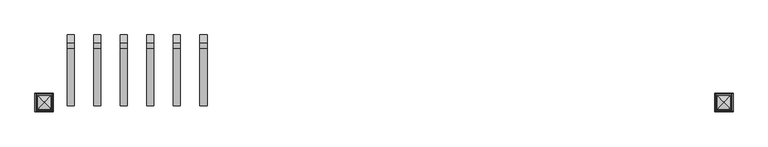
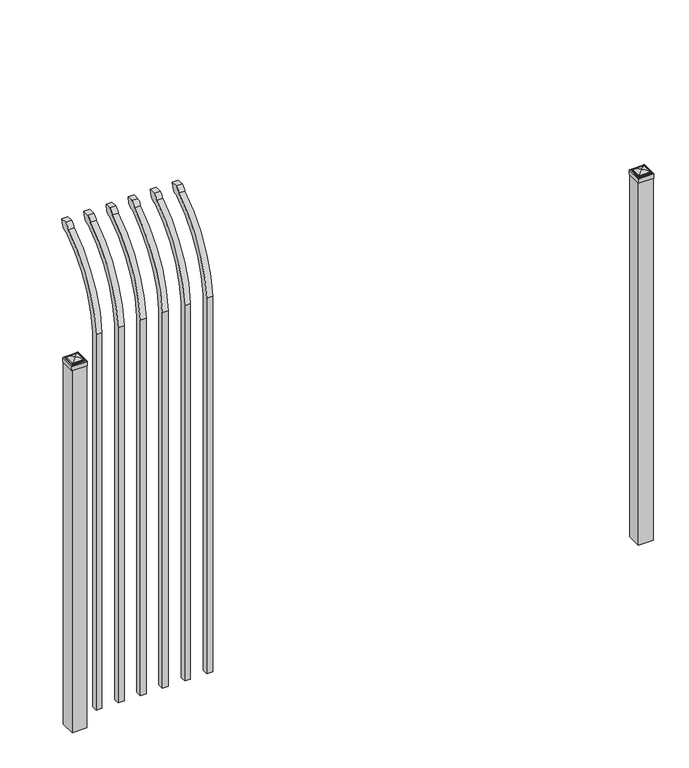
"""IFC4 building model written with IfcOpenShell, lengths in millimetres: railing geometry."""

from ifc_helpers import new_model, si_unit, point, frame, origin, origin_with_axes, place, context, project, spatial, polyline, circle_curve, ellipse_curve, trimmed, outline, extrude, source, transform, mapped, element, save
from ifc_brep_helpers import plane_surface, cylinder_surface, revolved_surface, extruded_surface, advanced_brep


def railing_ab76a290(model_context):
    return source(origin(), model_context, "Body", "SolidModel", [
        advanced_brep(
        [(25175.9350064, 13429.619541, 50.8), (25175.9350064, 13429.619541, 1759.1226889), (25175.9350064, 13626.7326851, 2091.3022378), (25175.9350064, 13653.2407099, 2105.9867549), (25175.9350064, 13659.1100864, 2133.6), (25175.9350064, 13630.8799449, 2133.6), (25175.9350064, 13611.4931591, 2112.6682561), (25175.9350064, 13404.219541, 1759.1226889), (25175.9350064, 13404.219541, 50.8), (25150.5350064, 13429.619541, 50.8), (25150.5350064, 13429.619541, 1759.1226889), (25150.5350064, 13404.219541, 1759.1226889), (25150.5350064, 13404.219541, 50.8), (25150.5350064, 13611.4931591, 2112.6682561), (25150.5350064, 13630.8799449, 2133.6), (25150.5350064, 13659.1100864, 2133.6), (25150.5350064, 13653.2407099, 2105.9867549), (25150.5350064, 13626.7326851, 2091.3022378)],
        [
            (0, 1),
            (1, 2, circle_curve(frame((25175.9350064, 13866.9874207, 1724.1640776), z_axis=(-1.0, 0.0, 0.0), x_axis=(0.0, 1.0, 0.0)), 438.7627681)),
            (2, 3, ellipse_curve(frame((25175.9350064, 13634.5579376, 2113.7180619), z_axis=(1.0, 0.0, 0.0), x_axis=(0.0, -0.7771459614569761, -0.6293203910498311)), 26.7460194, 19.05)),
            (3, 4),
            (4, 5),
            (5, 6, ellipse_curve(frame((25175.9350064, 13634.5579376, 2113.7180619), z_axis=(0.9999999999999999, 0.0, 0.0), x_axis=(0.0, -0.7771459614569769, -0.62932039104983)), 26.7460194, 19.05)),
            (6, 7, circle_curve(frame((25175.9350064, 13866.0333244, 1725.9065933), z_axis=(1.0, 0.0, 0.0), x_axis=(0.0, 1.0, 0.0)), 463.0067812)),
            (7, 8),
            (8, 0),
            (0, 9),
            (9, 10),
            (10, 1),
            (7, 11),
            (11, 12),
            (12, 8),
            (12, 9),
            (11, 13, circle_curve(frame((25150.5350064, 13866.0333244, 1725.9065933), z_axis=(-1.0, 0.0, 0.0), x_axis=(0.0, 1.0, 0.0)), 463.0067812)),
            (13, 14, ellipse_curve(frame((25150.5350064, 13634.5579376, 2113.7180619), z_axis=(-0.9999999999999999, 0.0, 0.0), x_axis=(0.0, -0.7771459614569769, -0.62932039104983)), 26.7460194, 19.05)),
            (14, 15),
            (15, 16),
            (16, 17, ellipse_curve(frame((25150.5350064, 13634.5579376, 2113.7180619), z_axis=(-1.0, 0.0, 0.0), x_axis=(0.0, -0.7771459614569761, -0.6293203910498311)), 26.7460194, 19.05)),
            (17, 10, circle_curve(frame((25150.5350064, 13866.9874207, 1724.1640776), z_axis=(1.0, 0.0, 0.0), x_axis=(0.0, 1.0, 0.0)), 438.7627681)),
            (17, 2),
            (16, 3),
            (15, 4),
            (14, 5),
            (13, 6),
        ],
        [
            plane_surface(frame((25175.9350064, 13429.619541, 50.8), z_axis=(1.0, 0.0, 0.0), x_axis=(0.0, 0.0, 1.0))),
            plane_surface(frame((25175.9350064, 13429.619541, 50.8), z_axis=(0.0, 1.0, 0.0), x_axis=(-1.0, 0.0, 0.0))),
            plane_surface(frame((25175.9350064, 13404.219541, 1759.1226889), z_axis=(0.0, -1.0, 0.0), x_axis=(-1.0, 0.0, 0.0))),
            plane_surface(frame((25175.9350064, 13404.219541, 50.8), z_axis=(0.0, 0.0, -1.0), x_axis=(-1.0, 0.0, 0.0))),
            plane_surface(frame((25150.5350064, 13429.619541, 50.8), z_axis=(-1.0, 0.0, 0.0), x_axis=(0.0, 0.0, -1.0))),
            revolved_surface(polyline([(25150.5350064, 14305.750188799999, 1724.1640776), (25175.9350064, 14305.750188799999, 1724.1640776)]), (25150.5350064, 13866.9874207, 1724.1640776), (-1.0, 0.0, 0.0)),
            extruded_surface(trimmed(ellipse_curve(frame((25125.1350064, 13634.5579376, 2113.7180619), z_axis=(1.0, 0.0, 0.0), x_axis=(0.0, -0.7771459614569761, -0.6293203910498311)), 26.7460194, 19.05), [point((25125.1350064, 13626.7326851, 2091.3022378))], [point((25125.1350064, 13653.2407099, 2105.9867549))], True, "CARTESIAN"), (25.400000000001455, 0.0, 0.0), 25.400000000001455),
            plane_surface(frame((25175.9350064, 13653.2407099, 2105.9867549), z_axis=(0.0, 0.9781476007338014, -0.20791169081777983), x_axis=(-1.0, 0.0, 0.0))),
            plane_surface(frame((25175.9350064, 13659.1100864, 2133.6), z_axis=(0.0, 0.0, 1.0), x_axis=(-1.0, 0.0, 0.0))),
            extruded_surface(trimmed(ellipse_curve(frame((25125.1350064, 13634.5579376, 2113.7180619), z_axis=(0.9999999999999999, 0.0, 0.0), x_axis=(0.0, -0.7771459614569769, -0.62932039104983)), 26.7460194, 19.05), [point((25125.1350064, 13630.8799449, 2133.6))], [point((25125.1350064, 13611.4931591, 2112.6682561))], True, "CARTESIAN"), (25.400000000001455, 0.0, 0.0), 25.400000000001455),
            cylinder_surface(frame((25150.5350064, 13866.0333244, 1725.9065933), z_axis=(1.0, 0.0, 0.0), x_axis=(0.0, 1.0, 0.0)), 463.0067812),
        ],
        [
            (0, [[1, 2, 3, 4, 5, 6, 7, 8, 9]]),
            (1, [[-1, 10, 11, 12]]),
            (2, [[-8, 13, 14, 15]]),
            (3, [[-9, -15, 16, -10]]),
            (4, [[-16, -14, 17, 18, 19, 20, 21, 22, -11]]),
            (5, [[-2, -12, -22, 23]]),
            (6, [[-3, -23, -21, 24]]),
            (7, [[-4, -24, -20, 25]]),
            (8, [[-5, -25, -19, 26]]),
            (9, [[-6, -26, -18, 27]]),
            (10, [[-7, -27, -17, -13]]),
        ],
    ),
        advanced_brep(
        [(25080.6850064, 13429.619541, 50.8), (25080.6850064, 13429.619541, 1759.1226889), (25080.6850064, 13626.7326851, 2091.3022378), (25080.6850064, 13653.2407099, 2105.9867549), (25080.6850064, 13659.1100864, 2133.6), (25080.6850064, 13630.8799449, 2133.6), (25080.6850064, 13611.4931591, 2112.6682561), (25080.6850064, 13404.219541, 1759.1226889), (25080.6850064, 13404.219541, 50.8), (25055.2850064, 13429.619541, 50.8), (25055.2850064, 13429.619541, 1759.1226889), (25055.2850064, 13404.219541, 1759.1226889), (25055.2850064, 13404.219541, 50.8), (25055.2850064, 13611.4931591, 2112.6682561), (25055.2850064, 13630.8799449, 2133.6), (25055.2850064, 13659.1100864, 2133.6), (25055.2850064, 13653.2407099, 2105.9867549), (25055.2850064, 13626.7326851, 2091.3022378)],
        [
            (0, 1),
            (1, 2, circle_curve(frame((25080.6850064, 13866.9874207, 1724.1640776), z_axis=(-1.0, 0.0, 0.0), x_axis=(0.0, 1.0, 0.0)), 438.7627681)),
            (2, 3, ellipse_curve(frame((25080.6850064, 13634.5579376, 2113.7180619), z_axis=(1.0, 0.0, 0.0), x_axis=(0.0, -0.7771459614569761, -0.6293203910498311)), 26.7460194, 19.05)),
            (3, 4),
            (4, 5),
            (5, 6, ellipse_curve(frame((25080.6850064, 13634.5579376, 2113.7180619), z_axis=(0.9999999999999999, 0.0, 0.0), x_axis=(0.0, -0.7771459614569769, -0.62932039104983)), 26.7460194, 19.05)),
            (6, 7, circle_curve(frame((25080.6850064, 13866.0333244, 1725.9065933), z_axis=(1.0, 0.0, 0.0), x_axis=(0.0, 1.0, 0.0)), 463.0067812)),
            (7, 8),
            (8, 0),
            (0, 9),
            (9, 10),
            (10, 1),
            (7, 11),
            (11, 12),
            (12, 8),
            (12, 9),
            (11, 13, circle_curve(frame((25055.2850064, 13866.0333244, 1725.9065933), z_axis=(-1.0, 0.0, 0.0), x_axis=(0.0, 1.0, 0.0)), 463.0067812)),
            (13, 14, ellipse_curve(frame((25055.2850064, 13634.5579376, 2113.7180619), z_axis=(-0.9999999999999999, 0.0, 0.0), x_axis=(0.0, -0.7771459614569769, -0.62932039104983)), 26.7460194, 19.05)),
            (14, 15),
            (15, 16),
            (16, 17, ellipse_curve(frame((25055.2850064, 13634.5579376, 2113.7180619), z_axis=(-1.0, 0.0, 0.0), x_axis=(0.0, -0.7771459614569761, -0.6293203910498311)), 26.7460194, 19.05)),
            (17, 10, circle_curve(frame((25055.2850064, 13866.9874207, 1724.1640776), z_axis=(1.0, 0.0, 0.0), x_axis=(0.0, 1.0, 0.0)), 438.7627681)),
            (17, 2),
            (16, 3),
            (15, 4),
            (14, 5),
            (13, 6),
        ],
        [
            plane_surface(frame((25080.6850064, 13429.619541, 50.8), z_axis=(1.0, 0.0, 0.0), x_axis=(0.0, 0.0, 1.0))),
            plane_surface(frame((25080.6850064, 13429.619541, 50.8), z_axis=(0.0, 1.0, 0.0), x_axis=(-1.0, 0.0, 0.0))),
            plane_surface(frame((25080.6850064, 13404.219541, 1759.1226889), z_axis=(0.0, -1.0, 0.0), x_axis=(-1.0, 0.0, 0.0))),
            plane_surface(frame((25080.6850064, 13404.219541, 50.8), z_axis=(0.0, 0.0, -1.0), x_axis=(-1.0, 0.0, 0.0))),
            plane_surface(frame((25055.2850064, 13429.619541, 50.8), z_axis=(-1.0, 0.0, 0.0), x_axis=(0.0, 0.0, -1.0))),
            revolved_surface(polyline([(25055.2850064, 14305.750188799999, 1724.1640776), (25080.6850064, 14305.750188799999, 1724.1640776)]), (25055.2850064, 13866.9874207, 1724.1640776), (-1.0, 0.0, 0.0)),
            extruded_surface(trimmed(ellipse_curve(frame((25029.8850064, 13634.5579376, 2113.7180619), z_axis=(1.0, 0.0, 0.0), x_axis=(0.0, -0.7771459614569761, -0.6293203910498311)), 26.7460194, 19.05), [point((25029.8850064, 13626.7326851, 2091.3022378))], [point((25029.8850064, 13653.2407099, 2105.9867549))], True, "CARTESIAN"), (25.400000000001455, 0.0, 0.0), 25.400000000001455),
            plane_surface(frame((25080.6850064, 13653.2407099, 2105.9867549), z_axis=(0.0, 0.9781476007338014, -0.20791169081777983), x_axis=(-1.0, 0.0, 0.0))),
            plane_surface(frame((25080.6850064, 13659.1100864, 2133.6), z_axis=(0.0, 0.0, 1.0), x_axis=(-1.0, 0.0, 0.0))),
            extruded_surface(trimmed(ellipse_curve(frame((25029.8850064, 13634.5579376, 2113.7180619), z_axis=(0.9999999999999999, 0.0, 0.0), x_axis=(0.0, -0.7771459614569769, -0.62932039104983)), 26.7460194, 19.05), [point((25029.8850064, 13630.8799449, 2133.6))], [point((25029.8850064, 13611.4931591, 2112.6682561))], True, "CARTESIAN"), (25.400000000001455, 0.0, 0.0), 25.400000000001455),
            cylinder_surface(frame((25055.2850064, 13866.0333244, 1725.9065933), z_axis=(1.0, 0.0, 0.0), x_axis=(0.0, 1.0, 0.0)), 463.0067812),
        ],
        [
            (0, [[1, 2, 3, 4, 5, 6, 7, 8, 9]]),
            (1, [[-1, 10, 11, 12]]),
            (2, [[-8, 13, 14, 15]]),
            (3, [[-9, -15, 16, -10]]),
            (4, [[-16, -14, 17, 18, 19, 20, 21, 22, -11]]),
            (5, [[-2, -12, -22, 23]]),
            (6, [[-3, -23, -21, 24]]),
            (7, [[-4, -24, -20, 25]]),
            (8, [[-5, -25, -19, 26]]),
            (9, [[-6, -26, -18, 27]]),
            (10, [[-7, -27, -17, -13]]),
        ],
    ),
        advanced_brep(
        [(24985.4350064, 13429.619541, 50.8), (24985.4350064, 13429.619541, 1759.1226889), (24985.4350064, 13626.7326851, 2091.3022378), (24985.4350064, 13653.2407099, 2105.9867549), (24985.4350064, 13659.1100864, 2133.6), (24985.4350064, 13630.8799449, 2133.6), (24985.4350064, 13611.4931591, 2112.6682561), (24985.4350064, 13404.219541, 1759.1226889), (24985.4350064, 13404.219541, 50.8), (24960.0350064, 13429.619541, 50.8), (24960.0350064, 13429.619541, 1759.1226889), (24960.0350064, 13404.219541, 1759.1226889), (24960.0350064, 13404.219541, 50.8), (24960.0350064, 13611.4931591, 2112.6682561), (24960.0350064, 13630.8799449, 2133.6), (24960.0350064, 13659.1100864, 2133.6), (24960.0350064, 13653.2407099, 2105.9867549), (24960.0350064, 13626.7326851, 2091.3022378)],
        [
            (0, 1),
            (1, 2, circle_curve(frame((24985.4350064, 13866.9874207, 1724.1640776), z_axis=(-1.0, 0.0, 0.0), x_axis=(0.0, 1.0, 0.0)), 438.7627681)),
            (2, 3, ellipse_curve(frame((24985.4350064, 13634.5579376, 2113.7180619), z_axis=(1.0, 0.0, 0.0), x_axis=(0.0, -0.7771459614569761, -0.6293203910498311)), 26.7460194, 19.05)),
            (3, 4),
            (4, 5),
            (5, 6, ellipse_curve(frame((24985.4350064, 13634.5579376, 2113.7180619), z_axis=(0.9999999999999999, 0.0, 0.0), x_axis=(0.0, -0.7771459614569769, -0.62932039104983)), 26.7460194, 19.05)),
            (6, 7, circle_curve(frame((24985.4350064, 13866.0333244, 1725.9065933), z_axis=(1.0, 0.0, 0.0), x_axis=(0.0, 1.0, 0.0)), 463.0067812)),
            (7, 8),
            (8, 0),
            (0, 9),
            (9, 10),
            (10, 1),
            (7, 11),
            (11, 12),
            (12, 8),
            (12, 9),
            (11, 13, circle_curve(frame((24960.0350064, 13866.0333244, 1725.9065933), z_axis=(-1.0, 0.0, 0.0), x_axis=(0.0, 1.0, 0.0)), 463.0067812)),
            (13, 14, ellipse_curve(frame((24960.0350064, 13634.5579376, 2113.7180619), z_axis=(-0.9999999999999999, 0.0, 0.0), x_axis=(0.0, -0.7771459614569769, -0.62932039104983)), 26.7460194, 19.05)),
            (14, 15),
            (15, 16),
            (16, 17, ellipse_curve(frame((24960.0350064, 13634.5579376, 2113.7180619), z_axis=(-1.0, 0.0, 0.0), x_axis=(0.0, -0.7771459614569761, -0.6293203910498311)), 26.7460194, 19.05)),
            (17, 10, circle_curve(frame((24960.0350064, 13866.9874207, 1724.1640776), z_axis=(1.0, 0.0, 0.0), x_axis=(0.0, 1.0, 0.0)), 438.7627681)),
            (17, 2),
            (16, 3),
            (15, 4),
            (14, 5),
            (13, 6),
        ],
        [
            plane_surface(frame((24985.4350064, 13429.619541, 50.8), z_axis=(1.0, 0.0, 0.0), x_axis=(0.0, 0.0, 1.0))),
            plane_surface(frame((24985.4350064, 13429.619541, 50.8), z_axis=(0.0, 1.0, 0.0), x_axis=(-1.0, 0.0, 0.0))),
            plane_surface(frame((24985.4350064, 13404.219541, 1759.1226889), z_axis=(0.0, -1.0, 0.0), x_axis=(-1.0, 0.0, 0.0))),
            plane_surface(frame((24985.4350064, 13404.219541, 50.8), z_axis=(0.0, 0.0, -1.0), x_axis=(-1.0, 0.0, 0.0))),
            plane_surface(frame((24960.0350064, 13429.619541, 50.8), z_axis=(-1.0, 0.0, 0.0), x_axis=(0.0, 0.0, -1.0))),
            revolved_surface(polyline([(24960.0350064, 14305.750188799999, 1724.1640776), (24985.4350064, 14305.750188799999, 1724.1640776)]), (24960.0350064, 13866.9874207, 1724.1640776), (-1.0, 0.0, 0.0)),
            extruded_surface(trimmed(ellipse_curve(frame((24934.6350064, 13634.5579376, 2113.7180619), z_axis=(1.0, 0.0, 0.0), x_axis=(0.0, -0.7771459614569761, -0.6293203910498311)), 26.7460194, 19.05), [point((24934.6350064, 13626.7326851, 2091.3022378))], [point((24934.6350064, 13653.2407099, 2105.9867549))], True, "CARTESIAN"), (25.400000000001455, 0.0, 0.0), 25.400000000001455),
            plane_surface(frame((24985.4350064, 13653.2407099, 2105.9867549), z_axis=(0.0, 0.9781476007338014, -0.20791169081777983), x_axis=(-1.0, 0.0, 0.0))),
            plane_surface(frame((24985.4350064, 13659.1100864, 2133.6), z_axis=(0.0, 0.0, 1.0), x_axis=(-1.0, 0.0, 0.0))),
            extruded_surface(trimmed(ellipse_curve(frame((24934.6350064, 13634.5579376, 2113.7180619), z_axis=(0.9999999999999999, 0.0, 0.0), x_axis=(0.0, -0.7771459614569769, -0.62932039104983)), 26.7460194, 19.05), [point((24934.6350064, 13630.8799449, 2133.6))], [point((24934.6350064, 13611.4931591, 2112.6682561))], True, "CARTESIAN"), (25.400000000001455, 0.0, 0.0), 25.400000000001455),
            cylinder_surface(frame((24960.0350064, 13866.0333244, 1725.9065933), z_axis=(1.0, 0.0, 0.0), x_axis=(0.0, 1.0, 0.0)), 463.0067812),
        ],
        [
            (0, [[1, 2, 3, 4, 5, 6, 7, 8, 9]]),
            (1, [[-1, 10, 11, 12]]),
            (2, [[-8, 13, 14, 15]]),
            (3, [[-9, -15, 16, -10]]),
            (4, [[-16, -14, 17, 18, 19, 20, 21, 22, -11]]),
            (5, [[-2, -12, -22, 23]]),
            (6, [[-3, -23, -21, 24]]),
            (7, [[-4, -24, -20, 25]]),
            (8, [[-5, -25, -19, 26]]),
            (9, [[-6, -26, -18, 27]]),
            (10, [[-7, -27, -17, -13]]),
        ],
    ),
        advanced_brep(
        [(24890.1850064, 13429.619541, 50.8), (24890.1850064, 13429.619541, 1759.1226889), (24890.1850064, 13626.7326851, 2091.3022378), (24890.1850064, 13653.2407099, 2105.9867549), (24890.1850064, 13659.1100864, 2133.6), (24890.1850064, 13630.8799449, 2133.6), (24890.1850064, 13611.4931591, 2112.6682561), (24890.1850064, 13404.219541, 1759.1226889), (24890.1850064, 13404.219541, 50.8), (24864.7850064, 13429.619541, 50.8), (24864.7850064, 13429.619541, 1759.1226889), (24864.7850064, 13404.219541, 1759.1226889), (24864.7850064, 13404.219541, 50.8), (24864.7850064, 13611.4931591, 2112.6682561), (24864.7850064, 13630.8799449, 2133.6), (24864.7850064, 13659.1100864, 2133.6), (24864.7850064, 13653.2407099, 2105.9867549), (24864.7850064, 13626.7326851, 2091.3022378)],
        [
            (0, 1),
            (1, 2, circle_curve(frame((24890.1850064, 13866.9874207, 1724.1640776), z_axis=(-1.0, 0.0, 0.0), x_axis=(0.0, 1.0, 0.0)), 438.7627681)),
            (2, 3, ellipse_curve(frame((24890.1850064, 13634.5579376, 2113.7180619), z_axis=(1.0, 0.0, 0.0), x_axis=(0.0, -0.7771459614569761, -0.6293203910498311)), 26.7460194, 19.05)),
            (3, 4),
            (4, 5),
            (5, 6, ellipse_curve(frame((24890.1850064, 13634.5579376, 2113.7180619), z_axis=(0.9999999999999999, 0.0, 0.0), x_axis=(0.0, -0.7771459614569769, -0.62932039104983)), 26.7460194, 19.05)),
            (6, 7, circle_curve(frame((24890.1850064, 13866.0333244, 1725.9065933), z_axis=(1.0, 0.0, 0.0), x_axis=(0.0, 1.0, 0.0)), 463.0067812)),
            (7, 8),
            (8, 0),
            (0, 9),
            (9, 10),
            (10, 1),
            (7, 11),
            (11, 12),
            (12, 8),
            (12, 9),
            (11, 13, circle_curve(frame((24864.7850064, 13866.0333244, 1725.9065933), z_axis=(-1.0, 0.0, 0.0), x_axis=(0.0, 1.0, 0.0)), 463.0067812)),
            (13, 14, ellipse_curve(frame((24864.7850064, 13634.5579376, 2113.7180619), z_axis=(-0.9999999999999999, 0.0, 0.0), x_axis=(0.0, -0.7771459614569769, -0.62932039104983)), 26.7460194, 19.05)),
            (14, 15),
            (15, 16),
            (16, 17, ellipse_curve(frame((24864.7850064, 13634.5579376, 2113.7180619), z_axis=(-1.0, 0.0, 0.0), x_axis=(0.0, -0.7771459614569761, -0.6293203910498311)), 26.7460194, 19.05)),
            (17, 10, circle_curve(frame((24864.7850064, 13866.9874207, 1724.1640776), z_axis=(1.0, 0.0, 0.0), x_axis=(0.0, 1.0, 0.0)), 438.7627681)),
            (17, 2),
            (16, 3),
            (15, 4),
            (14, 5),
            (13, 6),
        ],
        [
            plane_surface(frame((24890.1850064, 13429.619541, 50.8), z_axis=(1.0, 0.0, 0.0), x_axis=(0.0, 0.0, 1.0))),
            plane_surface(frame((24890.1850064, 13429.619541, 50.8), z_axis=(0.0, 1.0, 0.0), x_axis=(-1.0, 0.0, 0.0))),
            plane_surface(frame((24890.1850064, 13404.219541, 1759.1226889), z_axis=(0.0, -1.0, 0.0), x_axis=(-1.0, 0.0, 0.0))),
            plane_surface(frame((24890.1850064, 13404.219541, 50.8), z_axis=(0.0, 0.0, -1.0), x_axis=(-1.0, 0.0, 0.0))),
            plane_surface(frame((24864.7850064, 13429.619541, 50.8), z_axis=(-1.0, 0.0, 0.0), x_axis=(0.0, 0.0, -1.0))),
            revolved_surface(polyline([(24864.7850064, 14305.750188799999, 1724.1640776), (24890.1850064, 14305.750188799999, 1724.1640776)]), (24864.7850064, 13866.9874207, 1724.1640776), (-1.0, 0.0, 0.0)),
            extruded_surface(trimmed(ellipse_curve(frame((24839.3850064, 13634.5579376, 2113.7180619), z_axis=(1.0, 0.0, 0.0), x_axis=(0.0, -0.7771459614569761, -0.6293203910498311)), 26.7460194, 19.05), [point((24839.3850064, 13626.7326851, 2091.3022378))], [point((24839.3850064, 13653.2407099, 2105.9867549))], True, "CARTESIAN"), (25.400000000001455, 0.0, 0.0), 25.400000000001455),
            plane_surface(frame((24890.1850064, 13653.2407099, 2105.9867549), z_axis=(0.0, 0.9781476007338014, -0.20791169081777983), x_axis=(-1.0, 0.0, 0.0))),
            plane_surface(frame((24890.1850064, 13659.1100864, 2133.6), z_axis=(0.0, 0.0, 1.0), x_axis=(-1.0, 0.0, 0.0))),
            extruded_surface(trimmed(ellipse_curve(frame((24839.3850064, 13634.5579376, 2113.7180619), z_axis=(0.9999999999999999, 0.0, 0.0), x_axis=(0.0, -0.7771459614569769, -0.62932039104983)), 26.7460194, 19.05), [point((24839.3850064, 13630.8799449, 2133.6))], [point((24839.3850064, 13611.4931591, 2112.6682561))], True, "CARTESIAN"), (25.400000000001455, 0.0, 0.0), 25.400000000001455),
            cylinder_surface(frame((24864.7850064, 13866.0333244, 1725.9065933), z_axis=(1.0, 0.0, 0.0), x_axis=(0.0, 1.0, 0.0)), 463.0067812),
        ],
        [
            (0, [[1, 2, 3, 4, 5, 6, 7, 8, 9]]),
            (1, [[-1, 10, 11, 12]]),
            (2, [[-8, 13, 14, 15]]),
            (3, [[-9, -15, 16, -10]]),
            (4, [[-16, -14, 17, 18, 19, 20, 21, 22, -11]]),
            (5, [[-2, -12, -22, 23]]),
            (6, [[-3, -23, -21, 24]]),
            (7, [[-4, -24, -20, 25]]),
            (8, [[-5, -25, -19, 26]]),
            (9, [[-6, -26, -18, 27]]),
            (10, [[-7, -27, -17, -13]]),
        ],
    ),
        advanced_brep(
        [(24794.9350064, 13429.619541, 50.8), (24794.9350064, 13429.619541, 1759.1226889), (24794.9350064, 13626.7326851, 2091.3022378), (24794.9350064, 13653.2407099, 2105.9867549), (24794.9350064, 13659.1100864, 2133.6), (24794.9350064, 13630.8799449, 2133.6), (24794.9350064, 13611.4931591, 2112.6682561), (24794.9350064, 13404.219541, 1759.1226889), (24794.9350064, 13404.219541, 50.8), (24769.5350064, 13429.619541, 50.8), (24769.5350064, 13429.619541, 1759.1226889), (24769.5350064, 13404.219541, 1759.1226889), (24769.5350064, 13404.219541, 50.8), (24769.5350064, 13611.4931591, 2112.6682561), (24769.5350064, 13630.8799449, 2133.6), (24769.5350064, 13659.1100864, 2133.6), (24769.5350064, 13653.2407099, 2105.9867549), (24769.5350064, 13626.7326851, 2091.3022378)],
        [
            (0, 1),
            (1, 2, circle_curve(frame((24794.9350064, 13866.9874207, 1724.1640776), z_axis=(-1.0, 0.0, 0.0), x_axis=(0.0, 1.0, 0.0)), 438.7627681)),
            (2, 3, ellipse_curve(frame((24794.9350064, 13634.5579376, 2113.7180619), z_axis=(1.0, 0.0, 0.0), x_axis=(0.0, -0.7771459614569761, -0.6293203910498311)), 26.7460194, 19.05)),
            (3, 4),
            (4, 5),
            (5, 6, ellipse_curve(frame((24794.9350064, 13634.5579376, 2113.7180619), z_axis=(0.9999999999999999, 0.0, 0.0), x_axis=(0.0, -0.7771459614569769, -0.62932039104983)), 26.7460194, 19.05)),
            (6, 7, circle_curve(frame((24794.9350064, 13866.0333244, 1725.9065933), z_axis=(1.0, 0.0, 0.0), x_axis=(0.0, 1.0, 0.0)), 463.0067812)),
            (7, 8),
            (8, 0),
            (0, 9),
            (9, 10),
            (10, 1),
            (7, 11),
            (11, 12),
            (12, 8),
            (12, 9),
            (11, 13, circle_curve(frame((24769.5350064, 13866.0333244, 1725.9065933), z_axis=(-1.0, 0.0, 0.0), x_axis=(0.0, 1.0, 0.0)), 463.0067812)),
            (13, 14, ellipse_curve(frame((24769.5350064, 13634.5579376, 2113.7180619), z_axis=(-0.9999999999999999, 0.0, 0.0), x_axis=(0.0, -0.7771459614569769, -0.62932039104983)), 26.7460194, 19.05)),
            (14, 15),
            (15, 16),
            (16, 17, ellipse_curve(frame((24769.5350064, 13634.5579376, 2113.7180619), z_axis=(-1.0, 0.0, 0.0), x_axis=(0.0, -0.7771459614569761, -0.6293203910498311)), 26.7460194, 19.05)),
            (17, 10, circle_curve(frame((24769.5350064, 13866.9874207, 1724.1640776), z_axis=(1.0, 0.0, 0.0), x_axis=(0.0, 1.0, 0.0)), 438.7627681)),
            (17, 2),
            (16, 3),
            (15, 4),
            (14, 5),
            (13, 6),
        ],
        [
            plane_surface(frame((24794.9350064, 13429.619541, 50.8), z_axis=(1.0, 0.0, 0.0), x_axis=(0.0, 0.0, 1.0))),
            plane_surface(frame((24794.9350064, 13429.619541, 50.8), z_axis=(0.0, 1.0, 0.0), x_axis=(-1.0, 0.0, 0.0))),
            plane_surface(frame((24794.9350064, 13404.219541, 1759.1226889), z_axis=(0.0, -1.0, 0.0), x_axis=(-1.0, 0.0, 0.0))),
            plane_surface(frame((24794.9350064, 13404.219541, 50.8), z_axis=(0.0, 0.0, -1.0), x_axis=(-1.0, 0.0, 0.0))),
            plane_surface(frame((24769.5350064, 13429.619541, 50.8), z_axis=(-1.0, 0.0, 0.0), x_axis=(0.0, 0.0, -1.0))),
            revolved_surface(polyline([(24769.5350064, 14305.750188799999, 1724.1640776), (24794.9350064, 14305.750188799999, 1724.1640776)]), (24769.5350064, 13866.9874207, 1724.1640776), (-1.0, 0.0, 0.0)),
            extruded_surface(trimmed(ellipse_curve(frame((24744.1350064, 13634.5579376, 2113.7180619), z_axis=(1.0, 0.0, 0.0), x_axis=(0.0, -0.7771459614569761, -0.6293203910498311)), 26.7460194, 19.05), [point((24744.1350064, 13626.7326851, 2091.3022378))], [point((24744.1350064, 13653.2407099, 2105.9867549))], True, "CARTESIAN"), (25.400000000001455, 0.0, 0.0), 25.400000000001455),
            plane_surface(frame((24794.9350064, 13653.2407099, 2105.9867549), z_axis=(0.0, 0.9781476007338014, -0.20791169081777983), x_axis=(-1.0, 0.0, 0.0))),
            plane_surface(frame((24794.9350064, 13659.1100864, 2133.6), z_axis=(0.0, 0.0, 1.0), x_axis=(-1.0, 0.0, 0.0))),
            extruded_surface(trimmed(ellipse_curve(frame((24744.1350064, 13634.5579376, 2113.7180619), z_axis=(0.9999999999999999, 0.0, 0.0), x_axis=(0.0, -0.7771459614569769, -0.62932039104983)), 26.7460194, 19.05), [point((24744.1350064, 13630.8799449, 2133.6))], [point((24744.1350064, 13611.4931591, 2112.6682561))], True, "CARTESIAN"), (25.400000000001455, 0.0, 0.0), 25.400000000001455),
            cylinder_surface(frame((24769.5350064, 13866.0333244, 1725.9065933), z_axis=(1.0, 0.0, 0.0), x_axis=(0.0, 1.0, 0.0)), 463.0067812),
        ],
        [
            (0, [[1, 2, 3, 4, 5, 6, 7, 8, 9]]),
            (1, [[-1, 10, 11, 12]]),
            (2, [[-8, 13, 14, 15]]),
            (3, [[-9, -15, 16, -10]]),
            (4, [[-16, -14, 17, 18, 19, 20, 21, 22, -11]]),
            (5, [[-2, -12, -22, 23]]),
            (6, [[-3, -23, -21, 24]]),
            (7, [[-4, -24, -20, 25]]),
            (8, [[-5, -25, -19, 26]]),
            (9, [[-6, -26, -18, 27]]),
            (10, [[-7, -27, -17, -13]]),
        ],
    ),
        advanced_brep(
        [(24699.6850064, 13429.619541, 50.8), (24699.6850064, 13429.619541, 1759.1226889), (24699.6850064, 13626.7326851, 2091.3022378), (24699.6850064, 13653.2407099, 2105.9867549), (24699.6850064, 13659.1100864, 2133.6), (24699.6850064, 13630.8799449, 2133.6), (24699.6850064, 13611.4931591, 2112.6682561), (24699.6850064, 13404.219541, 1759.1226889), (24699.6850064, 13404.219541, 50.8), (24674.2850064, 13429.619541, 50.8), (24674.2850064, 13429.619541, 1759.1226889), (24674.2850064, 13404.219541, 1759.1226889), (24674.2850064, 13404.219541, 50.8), (24674.2850064, 13611.4931591, 2112.6682561), (24674.2850064, 13630.8799449, 2133.6), (24674.2850064, 13659.1100864, 2133.6), (24674.2850064, 13653.2407099, 2105.9867549), (24674.2850064, 13626.7326851, 2091.3022378)],
        [
            (0, 1),
            (1, 2, circle_curve(frame((24699.6850064, 13866.9874207, 1724.1640776), z_axis=(-1.0, 0.0, 0.0), x_axis=(0.0, 1.0, 0.0)), 438.7627681)),
            (2, 3, ellipse_curve(frame((24699.6850064, 13634.5579376, 2113.7180619), z_axis=(1.0, 0.0, 0.0), x_axis=(0.0, -0.7771459614569761, -0.6293203910498311)), 26.7460194, 19.05)),
            (3, 4),
            (4, 5),
            (5, 6, ellipse_curve(frame((24699.6850064, 13634.5579376, 2113.7180619), z_axis=(0.9999999999999999, 0.0, 0.0), x_axis=(0.0, -0.7771459614569769, -0.62932039104983)), 26.7460194, 19.05)),
            (6, 7, circle_curve(frame((24699.6850064, 13866.0333244, 1725.9065933), z_axis=(1.0, 0.0, 0.0), x_axis=(0.0, 1.0, 0.0)), 463.0067812)),
            (7, 8),
            (8, 0),
            (0, 9),
            (9, 10),
            (10, 1),
            (7, 11),
            (11, 12),
            (12, 8),
            (12, 9),
            (11, 13, circle_curve(frame((24674.2850064, 13866.0333244, 1725.9065933), z_axis=(-1.0, 0.0, 0.0), x_axis=(0.0, 1.0, 0.0)), 463.0067812)),
            (13, 14, ellipse_curve(frame((24674.2850064, 13634.5579376, 2113.7180619), z_axis=(-0.9999999999999999, 0.0, 0.0), x_axis=(0.0, -0.7771459614569769, -0.62932039104983)), 26.7460194, 19.05)),
            (14, 15),
            (15, 16),
            (16, 17, ellipse_curve(frame((24674.2850064, 13634.5579376, 2113.7180619), z_axis=(-1.0, 0.0, 0.0), x_axis=(0.0, -0.7771459614569761, -0.6293203910498311)), 26.7460194, 19.05)),
            (17, 10, circle_curve(frame((24674.2850064, 13866.9874207, 1724.1640776), z_axis=(1.0, 0.0, 0.0), x_axis=(0.0, 1.0, 0.0)), 438.7627681)),
            (17, 2),
            (16, 3),
            (15, 4),
            (14, 5),
            (13, 6),
        ],
        [
            plane_surface(frame((24699.6850064, 13429.619541, 50.8), z_axis=(1.0, 0.0, 0.0), x_axis=(0.0, 0.0, 1.0))),
            plane_surface(frame((24699.6850064, 13429.619541, 50.8), z_axis=(0.0, 1.0, 0.0), x_axis=(-1.0, 0.0, 0.0))),
            plane_surface(frame((24699.6850064, 13404.219541, 1759.1226889), z_axis=(0.0, -1.0, 0.0), x_axis=(-1.0, 0.0, 0.0))),
            plane_surface(frame((24699.6850064, 13404.219541, 50.8), z_axis=(0.0, 0.0, -1.0), x_axis=(-1.0, 0.0, 0.0))),
            plane_surface(frame((24674.2850064, 13429.619541, 50.8), z_axis=(-1.0, 0.0, 0.0), x_axis=(0.0, 0.0, -1.0))),
            revolved_surface(polyline([(24674.2850064, 14305.750188799999, 1724.1640776), (24699.6850064, 14305.750188799999, 1724.1640776)]), (24674.2850064, 13866.9874207, 1724.1640776), (-1.0, 0.0, 0.0)),
            extruded_surface(trimmed(ellipse_curve(frame((24648.8850064, 13634.5579376, 2113.7180619), z_axis=(1.0, 0.0, 0.0), x_axis=(0.0, -0.7771459614569761, -0.6293203910498311)), 26.7460194, 19.05), [point((24648.8850064, 13626.7326851, 2091.3022378))], [point((24648.8850064, 13653.2407099, 2105.9867549))], True, "CARTESIAN"), (25.400000000001455, 0.0, 0.0), 25.400000000001455),
            plane_surface(frame((24699.6850064, 13653.2407099, 2105.9867549), z_axis=(0.0, 0.9781476007338014, -0.20791169081777983), x_axis=(-1.0, 0.0, 0.0))),
            plane_surface(frame((24699.6850064, 13659.1100864, 2133.6), z_axis=(0.0, 0.0, 1.0), x_axis=(-1.0, 0.0, 0.0))),
            extruded_surface(trimmed(ellipse_curve(frame((24648.8850064, 13634.5579376, 2113.7180619), z_axis=(0.9999999999999999, 0.0, 0.0), x_axis=(0.0, -0.7771459614569769, -0.62932039104983)), 26.7460194, 19.05), [point((24648.8850064, 13630.8799449, 2133.6))], [point((24648.8850064, 13611.4931591, 2112.6682561))], True, "CARTESIAN"), (25.400000000001455, 0.0, 0.0), 25.400000000001455),
            cylinder_surface(frame((24674.2850064, 13866.0333244, 1725.9065933), z_axis=(1.0, 0.0, 0.0), x_axis=(0.0, 1.0, 0.0)), 463.0067812),
        ],
        [
            (0, [[1, 2, 3, 4, 5, 6, 7, 8, 9]]),
            (1, [[-1, 10, 11, 12]]),
            (2, [[-8, 13, 14, 15]]),
            (3, [[-9, -15, 16, -10]]),
            (4, [[-16, -14, 17, 18, 19, 20, 21, 22, -11]]),
            (5, [[-2, -12, -22, 23]]),
            (6, [[-3, -23, -21, 24]]),
            (7, [[-4, -24, -20, 25]]),
            (8, [[-5, -25, -19, 26]]),
            (9, [[-6, -26, -18, 27]]),
            (10, [[-7, -27, -17, -13]]),
        ],
    ),
        extrude(outline(polyline([(27061.8850064, 13448.669541), (27061.8850064, 13385.169541), (26998.3850064, 13385.169541), (26998.3850064, 13448.669541), (27061.8850064, 13448.669541)])), origin_with_axes(), (0.0, 0.0, 1.0), 1649.4125),
        advanced_brep(
        [(26996.7975064, 13450.257041, 1667.66875), (26996.7975064, 13450.257041, 1649.4125), (26996.7975064, 13383.582041, 1649.4125), (26996.7975064, 13383.582041, 1667.66875), (26999.1787564, 13447.875791, 1670.05), (26999.1787564, 13385.963291, 1670.05), (27001.5600064, 13445.494541, 1672.43125), (27001.5600064, 13445.494541, 1670.05), (27001.5600064, 13388.344541, 1670.05), (27001.5600064, 13388.344541, 1672.43125), (27003.9412564, 13443.113291, 1674.8125), (27003.9412564, 13390.725791, 1674.8125), (27030.1350064, 13416.919541, 1681.1625), (27006.3225064, 13440.732041, 1674.8125), (27006.3225064, 13393.107041, 1674.8125), (27063.4725064, 13383.582041, 1649.4125), (27063.4725064, 13383.582041, 1667.66875), (27061.0912564, 13385.963291, 1670.05), (27058.7100064, 13388.344541, 1670.05), (27058.7100064, 13388.344541, 1672.43125), (27056.3287564, 13390.725791, 1674.8125), (27053.9475064, 13393.107041, 1674.8125), (27063.4725064, 13450.257041, 1649.4125), (27063.4725064, 13450.257041, 1667.66875), (27061.0912564, 13447.875791, 1670.05), (27058.7100064, 13445.494541, 1670.05), (27058.7100064, 13445.494541, 1672.43125), (27056.3287564, 13443.113291, 1674.8125), (27053.9475064, 13440.732041, 1674.8125)],
        [
            (0, 1),
            (1, 2),
            (2, 3),
            (3, 0),
            (4, 0, ellipse_curve(frame((26999.1787564, 13447.875791, 1667.66875), z_axis=(-0.70710678118655, -0.7071067811865449, 0.0), x_axis=(-0.7071067811865448, 0.7071067811865501, 0.0)), 3.367596, 2.38125)),
            (3, 5, ellipse_curve(frame((26999.1787564, 13385.963291, 1667.66875), z_axis=(-0.7071067811865449, 0.70710678118655, 0.0), x_axis=(0.7071067811865499, 0.707106781186545, 0.0)), 3.367596, 2.38125)),
            (5, 4),
            (6, 7),
            (7, 8),
            (8, 9),
            (9, 6),
            (10, 6, ellipse_curve(frame((27003.9412564, 13443.113291, 1672.43125), z_axis=(-0.70710678118655, -0.7071067811865449, 0.0), x_axis=(-0.7071067811865448, 0.7071067811865501, 0.0)), 3.367596, 2.38125)),
            (9, 11, ellipse_curve(frame((27003.9412564, 13390.725791, 1672.43125), z_axis=(-0.7071067811865449, 0.70710678118655, 0.0), x_axis=(0.7071067811865499, 0.707106781186545, 0.0)), 3.367596, 2.38125)),
            (11, 10),
            (12, 13, ellipse_curve(frame((27030.1350064, 13416.919541, 1633.3390625), z_axis=(-0.70710678118655, -0.7071067811865449, 0.0), x_axis=(-0.7071067811865448, 0.7071067811865501, 0.0)), 67.6325539, 47.8234375)),
            (13, 14),
            (14, 12, ellipse_curve(frame((27030.1350064, 13416.919541, 1633.3390625), z_axis=(-0.7071067811865449, 0.70710678118655, 0.0), x_axis=(0.7071067811865499, 0.707106781186545, 0.0)), 67.6325539, 47.8234375)),
            (2, 15),
            (15, 16),
            (16, 3),
            (16, 17, ellipse_curve(frame((27061.0912564, 13385.963291, 1667.66875), z_axis=(-0.70710678118655, -0.707106781186545, 0.0), x_axis=(-0.707106781186545, 0.70710678118655, 0.0)), 3.367596, 2.38125)),
            (17, 5),
            (8, 18),
            (18, 19),
            (19, 9),
            (19, 20, ellipse_curve(frame((27056.3287564, 13390.725791, 1672.43125), z_axis=(-0.70710678118655, -0.707106781186545, 0.0), x_axis=(-0.707106781186545, 0.70710678118655, 0.0)), 3.367596, 2.38125)),
            (20, 11),
            (14, 21),
            (21, 12, ellipse_curve(frame((27030.1350064, 13416.919541, 1633.3390625), z_axis=(-0.70710678118655, -0.707106781186545, 0.0), x_axis=(-0.707106781186545, 0.70710678118655, 0.0)), 67.6325539, 47.8234375)),
            (15, 22),
            (22, 23),
            (23, 16),
            (23, 24, ellipse_curve(frame((27061.0912564, 13447.875791, 1667.66875), z_axis=(0.707106781186545, -0.7071067811865499, 0.0), x_axis=(-0.7071067811865497, -0.7071067811865452, 0.0)), 3.367596, 2.38125)),
            (24, 17),
            (18, 25),
            (25, 26),
            (26, 19),
            (26, 27, ellipse_curve(frame((27056.3287564, 13443.113291, 1672.43125), z_axis=(0.707106781186545, -0.7071067811865499, 0.0), x_axis=(-0.7071067811865497, -0.7071067811865452, 0.0)), 3.367596, 2.38125)),
            (27, 20),
            (21, 28),
            (28, 12, ellipse_curve(frame((27030.1350064, 13416.919541, 1633.3390625), z_axis=(0.707106781186545, -0.7071067811865499, 0.0), x_axis=(-0.7071067811865497, -0.7071067811865452, 0.0)), 67.6325539, 47.8234375)),
            (22, 1),
            (0, 23),
            (4, 24),
            (7, 25),
            (6, 26),
            (10, 27),
            (13, 28),
        ],
        [
            plane_surface(frame((26996.7975064, 13450.257041, 1649.4125), z_axis=(-1.0, 0.0, 0.0), x_axis=(0.0, -1.0, 0.0))),
            cylinder_surface(frame((26999.1787564, 13448.669541, 1667.66875), z_axis=(0.0, 1.0, 0.0), x_axis=(1.0, 0.0, 0.0)), 2.38125),
            plane_surface(frame((27001.5600064, 13445.494541, 1670.05), z_axis=(-1.0, 0.0, 0.0), x_axis=(0.0, -1.0, 0.0))),
            cylinder_surface(frame((27003.9412564, 13448.669541, 1672.43125), z_axis=(0.0, 1.0, 0.0), x_axis=(1.0, 0.0, 0.0)), 2.38125),
            cylinder_surface(frame((27030.1350064, 13448.669541, 1633.3390625), z_axis=(0.0, 1.0, 0.0), x_axis=(1.0, 0.0, 0.0)), 47.8234375),
            plane_surface(frame((26996.7975064, 13383.582041, 1649.4125), z_axis=(0.0, -1.0, 0.0), x_axis=(1.0, 0.0, 0.0))),
            cylinder_surface(frame((26998.3850064, 13385.963291, 1667.66875), z_axis=(-1.0, 0.0, 0.0), x_axis=(0.0, 1.0, 0.0)), 2.38125),
            plane_surface(frame((27001.5600064, 13388.344541, 1670.05), z_axis=(0.0, -1.0, 0.0), x_axis=(1.0, 0.0, 0.0))),
            cylinder_surface(frame((26998.3850064, 13390.725791, 1672.43125), z_axis=(-1.0, 0.0, 0.0), x_axis=(0.0, 1.0, 0.0)), 2.38125),
            cylinder_surface(frame((26998.3850064, 13416.919541, 1633.3390625), z_axis=(-1.0, 0.0, 0.0), x_axis=(0.0, 1.0, 0.0)), 47.8234375),
            plane_surface(frame((27063.4725064, 13383.582041, 1649.4125), z_axis=(1.0, 0.0, 0.0), x_axis=(0.0, 1.0, 0.0))),
            cylinder_surface(frame((27061.0912564, 13385.169541, 1667.66875), z_axis=(0.0, -1.0, 0.0), x_axis=(-1.0, 0.0, 0.0)), 2.38125),
            plane_surface(frame((27058.7100064, 13388.344541, 1670.05), z_axis=(1.0, 0.0, 0.0), x_axis=(0.0, 1.0, 0.0))),
            cylinder_surface(frame((27056.3287564, 13385.169541, 1672.43125), z_axis=(0.0, -1.0, 0.0), x_axis=(-1.0, 0.0, 0.0)), 2.38125),
            cylinder_surface(frame((27030.1350064, 13385.169541, 1633.3390625), z_axis=(0.0, -1.0, 0.0), x_axis=(-1.0, 0.0, 0.0)), 47.8234375),
            plane_surface(frame((27063.4725064, 13450.257041, 1649.4125), z_axis=(0.0, 1.0, 0.0), x_axis=(-1.0, 0.0, 0.0))),
            cylinder_surface(frame((27061.8850064, 13447.875791, 1667.66875), z_axis=(1.0, 0.0, 0.0), x_axis=(0.0, -1.0, 0.0)), 2.38125),
            plane_surface(frame((27061.0912564, 13447.875791, 1670.05), z_axis=(0.0, 0.0, 1.0), x_axis=(-1.0, 0.0, 0.0))),
            plane_surface(frame((27058.7100064, 13445.494541, 1670.05), z_axis=(0.0, 1.0, 0.0), x_axis=(-1.0, 0.0, 0.0))),
            cylinder_surface(frame((27061.8850064, 13443.113291, 1672.43125), z_axis=(1.0, 0.0, 0.0), x_axis=(0.0, -1.0, 0.0)), 2.38125),
            plane_surface(frame((27056.3287564, 13443.113291, 1674.8125), z_axis=(0.0, 0.0, 1.0), x_axis=(-1.0, 0.0, 0.0))),
            cylinder_surface(frame((27061.8850064, 13416.919541, 1633.3390625), z_axis=(1.0, 0.0, 0.0), x_axis=(0.0, -1.0, 0.0)), 47.8234375),
            plane_surface(frame((27030.1350064, 13416.919541, 1649.4125), z_axis=(0.0, 0.0, -1.0), x_axis=(-1.0, 0.0, 0.0))),
        ],
        [
            (0, [[1, 2, 3, 4]]),
            (1, [[5, -4, 6, 7]]),
            (2, [[8, 9, 10, 11]]),
            (3, [[12, -11, 13, 14]]),
            (4, [[15, 16, 17]]),
            (5, [[-3, 18, 19, 20]]),
            (6, [[-6, -20, 21, 22]]),
            (7, [[-10, 23, 24, 25]]),
            (8, [[-13, -25, 26, 27]]),
            (9, [[-17, 28, 29]]),
            (10, [[-19, 30, 31, 32]]),
            (11, [[-21, -32, 33, 34]]),
            (12, [[-24, 35, 36, 37]]),
            (13, [[-26, -37, 38, 39]]),
            (14, [[-29, 40, 41]]),
            (15, [[-31, 42, -1, 43]]),
            (16, [[-33, -43, -5, 44]]),
            (17, [[-22, -34, -44, -7], [45, -35, -23, -9]]),
            (18, [[-36, -45, -8, 46]]),
            (19, [[-38, -46, -12, 47]]),
            (20, [[-27, -39, -47, -14], [48, -40, -28, -16]]),
            (21, [[-41, -48, -15]]),
            (22, [[-42, -30, -18, -2]]),
        ],
    ),
        extrude(outline(polyline([(24623.4850064, 13448.669541), (24623.4850064, 13385.169541), (24559.9850064, 13385.169541), (24559.9850064, 13448.669541), (24623.4850064, 13448.669541)])), origin_with_axes(), (0.0, 0.0, 1.0), 1649.4125),
        advanced_brep(
        [(24558.3975064, 13450.257041, 1667.66875), (24558.3975064, 13450.257041, 1649.4125), (24558.3975064, 13383.582041, 1649.4125), (24558.3975064, 13383.582041, 1667.66875), (24560.7787564, 13447.875791, 1670.05), (24560.7787564, 13385.963291, 1670.05), (24563.1600064, 13445.494541, 1672.43125), (24563.1600064, 13445.494541, 1670.05), (24563.1600064, 13388.344541, 1670.05), (24563.1600064, 13388.344541, 1672.43125), (24565.5412564, 13443.113291, 1674.8125), (24565.5412564, 13390.725791, 1674.8125), (24591.7350064, 13416.919541, 1681.1625), (24567.9225064, 13440.732041, 1674.8125), (24567.9225064, 13393.107041, 1674.8125), (24625.0725064, 13383.582041, 1649.4125), (24625.0725064, 13383.582041, 1667.66875), (24622.6912564, 13385.963291, 1670.05), (24620.3100064, 13388.344541, 1670.05), (24620.3100064, 13388.344541, 1672.43125), (24617.9287564, 13390.725791, 1674.8125), (24615.5475064, 13393.107041, 1674.8125), (24625.0725064, 13450.257041, 1649.4125), (24625.0725064, 13450.257041, 1667.66875), (24622.6912564, 13447.875791, 1670.05), (24620.3100064, 13445.494541, 1670.05), (24620.3100064, 13445.494541, 1672.43125), (24617.9287564, 13443.113291, 1674.8125), (24615.5475064, 13440.732041, 1674.8125)],
        [
            (0, 1),
            (1, 2),
            (2, 3),
            (3, 0),
            (4, 0, ellipse_curve(frame((24560.7787564, 13447.875791, 1667.66875), z_axis=(-0.70710678118655, -0.7071067811865449, 0.0), x_axis=(-0.7071067811865448, 0.7071067811865501, 0.0)), 3.367596, 2.38125)),
            (3, 5, ellipse_curve(frame((24560.7787564, 13385.963291, 1667.66875), z_axis=(-0.7071067811865449, 0.70710678118655, 0.0), x_axis=(0.7071067811865499, 0.707106781186545, 0.0)), 3.367596, 2.38125)),
            (5, 4),
            (6, 7),
            (7, 8),
            (8, 9),
            (9, 6),
            (10, 6, ellipse_curve(frame((24565.5412564, 13443.113291, 1672.43125), z_axis=(-0.70710678118655, -0.7071067811865449, 0.0), x_axis=(-0.7071067811865448, 0.7071067811865501, 0.0)), 3.367596, 2.38125)),
            (9, 11, ellipse_curve(frame((24565.5412564, 13390.725791, 1672.43125), z_axis=(-0.7071067811865449, 0.70710678118655, 0.0), x_axis=(0.7071067811865499, 0.707106781186545, 0.0)), 3.367596, 2.38125)),
            (11, 10),
            (12, 13, ellipse_curve(frame((24591.7350064, 13416.919541, 1633.3390625), z_axis=(-0.70710678118655, -0.7071067811865449, 0.0), x_axis=(-0.7071067811865448, 0.7071067811865501, 0.0)), 67.6325539, 47.8234375)),
            (13, 14),
            (14, 12, ellipse_curve(frame((24591.7350064, 13416.919541, 1633.3390625), z_axis=(-0.7071067811865449, 0.70710678118655, 0.0), x_axis=(0.7071067811865499, 0.707106781186545, 0.0)), 67.6325539, 47.8234375)),
            (2, 15),
            (15, 16),
            (16, 3),
            (16, 17, ellipse_curve(frame((24622.6912564, 13385.963291, 1667.66875), z_axis=(-0.70710678118655, -0.707106781186545, 0.0), x_axis=(-0.707106781186545, 0.70710678118655, 0.0)), 3.367596, 2.38125)),
            (17, 5),
            (8, 18),
            (18, 19),
            (19, 9),
            (19, 20, ellipse_curve(frame((24617.9287564, 13390.725791, 1672.43125), z_axis=(-0.70710678118655, -0.707106781186545, 0.0), x_axis=(-0.707106781186545, 0.70710678118655, 0.0)), 3.367596, 2.38125)),
            (20, 11),
            (14, 21),
            (21, 12, ellipse_curve(frame((24591.7350064, 13416.919541, 1633.3390625), z_axis=(-0.70710678118655, -0.707106781186545, 0.0), x_axis=(-0.707106781186545, 0.70710678118655, 0.0)), 67.6325539, 47.8234375)),
            (15, 22),
            (22, 23),
            (23, 16),
            (23, 24, ellipse_curve(frame((24622.6912564, 13447.875791, 1667.66875), z_axis=(0.707106781186545, -0.7071067811865499, 0.0), x_axis=(-0.7071067811865497, -0.7071067811865452, 0.0)), 3.367596, 2.38125)),
            (24, 17),
            (18, 25),
            (25, 26),
            (26, 19),
            (26, 27, ellipse_curve(frame((24617.9287564, 13443.113291, 1672.43125), z_axis=(0.707106781186545, -0.7071067811865499, 0.0), x_axis=(-0.7071067811865497, -0.7071067811865452, 0.0)), 3.367596, 2.38125)),
            (27, 20),
            (21, 28),
            (28, 12, ellipse_curve(frame((24591.7350064, 13416.919541, 1633.3390625), z_axis=(0.707106781186545, -0.7071067811865499, 0.0), x_axis=(-0.7071067811865497, -0.7071067811865452, 0.0)), 67.6325539, 47.8234375)),
            (22, 1),
            (0, 23),
            (4, 24),
            (7, 25),
            (6, 26),
            (10, 27),
            (13, 28),
        ],
        [
            plane_surface(frame((24558.3975064, 13450.257041, 1649.4125), z_axis=(-1.0, 0.0, 0.0), x_axis=(0.0, -1.0, 0.0))),
            cylinder_surface(frame((24560.7787564, 13448.669541, 1667.66875), z_axis=(0.0, 1.0, 0.0), x_axis=(1.0, 0.0, 0.0)), 2.38125),
            plane_surface(frame((24563.1600064, 13445.494541, 1670.05), z_axis=(-1.0, 0.0, 0.0), x_axis=(0.0, -1.0, 0.0))),
            cylinder_surface(frame((24565.5412564, 13448.669541, 1672.43125), z_axis=(0.0, 1.0, 0.0), x_axis=(1.0, 0.0, 0.0)), 2.38125),
            cylinder_surface(frame((24591.7350064, 13448.669541, 1633.3390625), z_axis=(0.0, 1.0, 0.0), x_axis=(1.0, 0.0, 0.0)), 47.8234375),
            plane_surface(frame((24558.3975064, 13383.582041, 1649.4125), z_axis=(0.0, -1.0, 0.0), x_axis=(1.0, 0.0, 0.0))),
            cylinder_surface(frame((24559.9850064, 13385.963291, 1667.66875), z_axis=(-1.0, 0.0, 0.0), x_axis=(0.0, 1.0, 0.0)), 2.38125),
            plane_surface(frame((24563.1600064, 13388.344541, 1670.05), z_axis=(0.0, -1.0, 0.0), x_axis=(1.0, 0.0, 0.0))),
            cylinder_surface(frame((24559.9850064, 13390.725791, 1672.43125), z_axis=(-1.0, 0.0, 0.0), x_axis=(0.0, 1.0, 0.0)), 2.38125),
            cylinder_surface(frame((24559.9850064, 13416.919541, 1633.3390625), z_axis=(-1.0, 0.0, 0.0), x_axis=(0.0, 1.0, 0.0)), 47.8234375),
            plane_surface(frame((24625.0725064, 13383.582041, 1649.4125), z_axis=(1.0, 0.0, 0.0), x_axis=(0.0, 1.0, 0.0))),
            cylinder_surface(frame((24622.6912564, 13385.169541, 1667.66875), z_axis=(0.0, -1.0, 0.0), x_axis=(-1.0, 0.0, 0.0)), 2.38125),
            plane_surface(frame((24620.3100064, 13388.344541, 1670.05), z_axis=(1.0, 0.0, 0.0), x_axis=(0.0, 1.0, 0.0))),
            cylinder_surface(frame((24617.9287564, 13385.169541, 1672.43125), z_axis=(0.0, -1.0, 0.0), x_axis=(-1.0, 0.0, 0.0)), 2.38125),
            cylinder_surface(frame((24591.7350064, 13385.169541, 1633.3390625), z_axis=(0.0, -1.0, 0.0), x_axis=(-1.0, 0.0, 0.0)), 47.8234375),
            plane_surface(frame((24625.0725064, 13450.257041, 1649.4125), z_axis=(0.0, 1.0, 0.0), x_axis=(-1.0, 0.0, 0.0))),
            cylinder_surface(frame((24623.4850064, 13447.875791, 1667.66875), z_axis=(1.0, 0.0, 0.0), x_axis=(0.0, -1.0, 0.0)), 2.38125),
            plane_surface(frame((24622.6912564, 13447.875791, 1670.05), z_axis=(0.0, 0.0, 1.0), x_axis=(-1.0, 0.0, 0.0))),
            plane_surface(frame((24620.3100064, 13445.494541, 1670.05), z_axis=(0.0, 1.0, 0.0), x_axis=(-1.0, 0.0, 0.0))),
            cylinder_surface(frame((24623.4850064, 13443.113291, 1672.43125), z_axis=(1.0, 0.0, 0.0), x_axis=(0.0, -1.0, 0.0)), 2.38125),
            plane_surface(frame((24617.9287564, 13443.113291, 1674.8125), z_axis=(0.0, 0.0, 1.0), x_axis=(-1.0, 0.0, 0.0))),
            cylinder_surface(frame((24623.4850064, 13416.919541, 1633.3390625), z_axis=(1.0, 0.0, 0.0), x_axis=(0.0, -1.0, 0.0)), 47.8234375),
            plane_surface(frame((24591.7350064, 13416.919541, 1649.4125), z_axis=(0.0, 0.0, -1.0), x_axis=(-1.0, 0.0, 0.0))),
        ],
        [
            (0, [[1, 2, 3, 4]]),
            (1, [[5, -4, 6, 7]]),
            (2, [[8, 9, 10, 11]]),
            (3, [[12, -11, 13, 14]]),
            (4, [[15, 16, 17]]),
            (5, [[-3, 18, 19, 20]]),
            (6, [[-6, -20, 21, 22]]),
            (7, [[-10, 23, 24, 25]]),
            (8, [[-13, -25, 26, 27]]),
            (9, [[-17, 28, 29]]),
            (10, [[-19, 30, 31, 32]]),
            (11, [[-21, -32, 33, 34]]),
            (12, [[-24, 35, 36, 37]]),
            (13, [[-26, -37, 38, 39]]),
            (14, [[-29, 40, 41]]),
            (15, [[-31, 42, -1, 43]]),
            (16, [[-33, -43, -5, 44]]),
            (17, [[-22, -34, -44, -7], [45, -35, -23, -9]]),
            (18, [[-36, -45, -8, 46]]),
            (19, [[-38, -46, -12, 47]]),
            (20, [[-27, -39, -47, -14], [48, -40, -28, -16]]),
            (21, [[-41, -48, -15]]),
            (22, [[-42, -30, -18, -2]]),
        ],
    ),
    ])


if __name__ == "__main__":
    model = new_model("IFC4")
    model_context = context("Model", 3, world=origin())
    ifc_project = project(units=[si_unit("LENGTHUNIT", "METRE", prefix="MILLI")], contexts=[model_context])
    site = spatial("IfcSite", under=ifc_project)
    building = spatial("IfcBuilding", under=site)
    placement = place(None, origin())
    railing_shape = railing_ab76a290(model_context)
    element("IfcRailing", 1, at=placement, inside=building, context=model_context, shape_type="MappedRepresentation", body=[
        mapped(railing_shape, transform((0.0, 0.0, 0.0), x_axis=(1.0, 0.0, 0.0), y_axis=(0.0, 1.0, 0.0), z_axis=(0.0, 0.0, 1.0))),
    ])
    save(model, "model.ifc")
